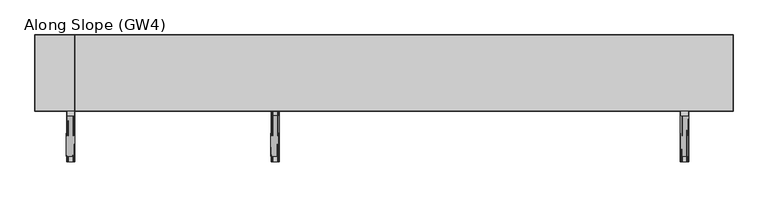
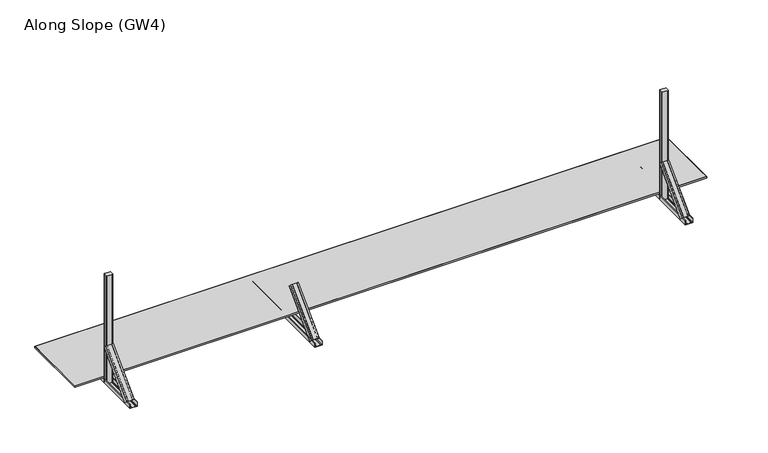
"""IFC4 building model written with IfcOpenShell, lengths in millimetres: proxy geometry, Along Slope (GW4)."""

from ifc_helpers import new_model, si_unit, point, frame, frame_2d, origin, origin_with_axes, place, context, project, spatial, polyline, circle_curve, trimmed, segment, composite_curve, outline, extrude, source, transform, mapped, element, save
from ifc_brep_helpers import plane_surface, extruded_surface, advanced_brep


def along_slope_gw4_eeab4660(model_context):
    return source(origin(), model_context, "Body", "SolidModel", [
        advanced_brep(
        [(1857.1666667, -956.2087394, 38.0000002), (1857.1666667, -930.3993419, 12.1906027), (1860.1666667, -930.3993419, 12.1906027), (1860.1666667, -954.0874191, 35.8786799), (1870.1666667, -954.0874191, 35.8786799), (1870.1666667, -952.3196521, 34.110913), (1871.1666667, -952.3196521, 34.110913), (1871.1666667, -954.0874191, 35.8786799), (1908.1666667, -954.0874191, 35.8786799), (1908.1666667, -952.3196521, 34.110913), (1909.1666667, -952.3196521, 34.110913), (1909.1666667, -954.0874191, 35.8786799), (1919.1666667, -954.0874191, 35.8786799), (1919.1666667, -930.3993419, 12.1906027), (1922.1666667, -930.3993419, 12.1906027), (1922.1666667, -956.2087394, 38.0000002), (1860.1666667, -638.0106879, 356.1980518), (1925.1666667, -638.0106879, 356.1980518), (1925.1666667, -612.2012904, 330.3886543), (1922.1666667, -612.2012904, 330.3886543), (1922.1666667, -635.8893676, 354.0767314), (1912.1666667, -635.8893676, 354.0767314), (1912.1666667, -634.1216006, 352.3089645), (1911.1666667, -634.1216006, 352.3089645), (1911.1666667, -635.8893676, 354.0767314), (1874.1666667, -635.8893676, 354.0767314), (1874.1666667, -634.1216006, 352.3089645), (1873.1666667, -634.1216006, 352.3089645), (1873.1666667, -635.8893676, 354.0767314), (1863.1666667, -635.8893676, 354.0767314), (1863.1666667, -612.2012904, 330.3886543), (1860.1666667, -612.2012904, 330.3886543)],
        [
            (0, 1),
            (1, 2, circle_curve(frame((1858.6666667, -930.3993419, 12.1906027), z_axis=(0.0, -0.7071067811865434, -0.7071067811865518), x_axis=(0.0, 0.7071067811865518, -0.7071067811865434)), 1.5)),
            (2, 3),
            (3, 4),
            (4, 5),
            (5, 6, circle_curve(frame((1870.6666667, -952.3196521, 34.110913), z_axis=(0.0, -0.7071067811865434, -0.7071067811865518), x_axis=(0.0, 0.7071067811865518, -0.7071067811865434)), 0.5)),
            (6, 7),
            (7, 8),
            (8, 9),
            (9, 10, circle_curve(frame((1908.6666667, -952.3196521, 34.110913), z_axis=(0.0, -0.7071067811865434, -0.7071067811865518), x_axis=(0.0, 0.7071067811865518, -0.7071067811865434)), 0.5)),
            (10, 11),
            (11, 12),
            (12, 13),
            (13, 14, circle_curve(frame((1920.6666667, -930.3993419, 12.1906027), z_axis=(0.0, -0.7071067811865434, -0.7071067811865518), x_axis=(0.0, 0.7071067811865518, -0.7071067811865434)), 1.5)),
            (14, 15),
            (15, 0),
            (16, 17),
            (17, 18),
            (18, 19, circle_curve(frame((1923.6666667, -612.2012904, 330.3886543), z_axis=(0.0, 0.7071067811865434, 0.7071067811865518), x_axis=(0.0, 0.7071067811865518, -0.7071067811865434)), 1.5)),
            (19, 20),
            (20, 21),
            (21, 22),
            (22, 23, circle_curve(frame((1911.6666667, -634.1216006, 352.3089645), z_axis=(0.0, 0.7071067811865434, 0.7071067811865518), x_axis=(0.0, 0.7071067811865518, -0.7071067811865434)), 0.5)),
            (23, 24),
            (24, 25),
            (25, 26),
            (26, 27, circle_curve(frame((1873.6666667, -634.1216006, 352.3089645), z_axis=(0.0, 0.7071067811865434, 0.7071067811865518), x_axis=(0.0, 0.7071067811865518, -0.7071067811865434)), 0.5)),
            (27, 28),
            (28, 29),
            (29, 30),
            (30, 31, circle_curve(frame((1861.6666667, -612.2012904, 330.3886543), z_axis=(0.0, 0.7071067811865434, 0.7071067811865518), x_axis=(0.0, 0.7071067811865518, -0.7071067811865434)), 1.5)),
            (31, 16),
            (31, 1),
            (0, 16),
            (30, 2),
            (29, 3),
            (28, 4),
            (27, 5),
            (26, 6),
            (25, 7),
            (24, 8),
            (23, 9),
            (22, 10),
            (21, 11),
            (20, 12),
            (19, 13),
            (18, 14),
            (17, 15),
        ],
        [
            plane_surface(frame((1889.6666667, -947.9886231, 29.7798839), z_axis=(0.0, -0.7071067811865431, -0.7071067811865519), x_axis=(0.0, 0.7071067811865519, -0.7071067811865431))),
            plane_surface(frame((1892.6666667, -629.7905716, 347.9779354), z_axis=(0.0, 0.7071067811865432, 0.7071067811865518), x_axis=(0.0, 0.7071067811865518, -0.7071067811865432))),
            plane_surface(frame((1860.1666667, -625.1059891, 343.293353), z_axis=(-0.9999777785184911, 0.004713940454842056, 0.00471394045484199), x_axis=(0.0, 0.7071067811865519, -0.7071067811865431))),
            extruded_surface(trimmed(circle_curve(frame((1861.6666667, -612.2012904, 330.3886543), z_axis=(0.0, -0.7071067811865434, -0.7071067811865518), x_axis=(0.0, 0.7071067811865518, -0.7071067811865434)), 1.5), [point((1860.1666667, -612.2012904, 330.3886543))], [point((1863.1666667, -612.2012904, 330.3886543))], True, "CARTESIAN"), (-3.0, -318.1980515, -318.1980516), 450.0099999115941),
            plane_surface(frame((1863.1666667, -624.045329, 342.2326929), z_axis=(0.9999777785184913, -0.004713940454842056, -0.004713940454841989), x_axis=(0.0, -0.707106781186552, 0.7071067811865432))),
            plane_surface(frame((1868.1666667, -635.8893676, 354.0767314), z_axis=(0.0, 0.7071067811865522, -0.7071067811865428), x_axis=(1.0, 0.0, 0.0))),
            plane_surface(frame((1873.1666667, -635.0054841, 353.192848), z_axis=(-0.9999777785184911, 0.004713940454842032, 0.004713940454842015), x_axis=(0.0, 0.7071067811865557, -0.7071067811865394))),
            extruded_surface(trimmed(circle_curve(frame((1873.6666667, -634.1216006, 352.3089645), z_axis=(0.0, -0.7071067811865434, -0.7071067811865518), x_axis=(0.0, 0.7071067811865518, -0.7071067811865434)), 0.5), [point((1873.1666667, -634.1216006, 352.3089645))], [point((1874.1666667, -634.1216006, 352.3089645))], True, "CARTESIAN"), (-3.0, -318.1980515, -318.1980515), 450.00999984088503),
            plane_surface(frame((1874.1666667, -635.0054841, 353.192848), z_axis=(0.9999777785184911, -0.004713940454842046, -0.004713940454842029), x_axis=(0.0, -0.7071067811865557, 0.7071067811865394))),
            plane_surface(frame((1892.6666667, -635.8893676, 354.0767314), z_axis=(0.0, 0.7071067811865522, -0.7071067811865428), x_axis=(1.0, 0.0, 0.0))),
            plane_surface(frame((1911.1666667, -635.0054841, 353.192848), z_axis=(-0.9999777785184911, 0.004713940454842039, 0.004713940454842022), x_axis=(0.0, 0.7071067811865557, -0.7071067811865394))),
            extruded_surface(trimmed(circle_curve(frame((1911.6666667, -634.1216006, 352.3089645), z_axis=(0.0, -0.7071067811865434, -0.7071067811865518), x_axis=(0.0, 0.7071067811865518, -0.7071067811865434)), 0.5), [point((1911.1666667, -634.1216006, 352.3089645))], [point((1912.1666667, -634.1216006, 352.3089645))], True, "CARTESIAN"), (-3.0, -318.1980515, -318.1980515), 450.00999984088503),
            plane_surface(frame((1912.1666667, -635.0054841, 353.192848), z_axis=(0.9999777785184911, -0.004713940454842066, -0.004713940454841993), x_axis=(0.0, -0.7071067811865515, 0.7071067811865436))),
            plane_surface(frame((1917.1666667, -635.8893676, 354.0767314), z_axis=(0.0, 0.707106781186552, -0.707106781186543), x_axis=(1.0, 0.0, 0.0))),
            plane_surface(frame((1922.1666667, -624.045329, 342.2326929), z_axis=(-0.9999777785184913, 0.004713940454842063, 0.004713940454841996), x_axis=(0.0, 0.707106781186552, -0.7071067811865432))),
            extruded_surface(trimmed(circle_curve(frame((1923.6666667, -612.2012904, 330.3886543), z_axis=(0.0, -0.7071067811865434, -0.7071067811865518), x_axis=(0.0, 0.7071067811865518, -0.7071067811865434)), 1.5), [point((1922.1666667, -612.2012904, 330.3886543))], [point((1925.1666667, -612.2012904, 330.3886543))], True, "CARTESIAN"), (-3.0, -318.1980515, -318.1980516), 450.0099999115941),
            plane_surface(frame((1925.1666667, -625.1059891, 343.293353), z_axis=(0.9999777785184911, -0.004713940454842065, -0.0047139404548419955), x_axis=(0.0, -0.7071067811865517, 0.7071067811865434))),
            plane_surface(frame((1892.6666667, -638.0106879, 356.1980518), z_axis=(0.0, -0.7071067811865523, 0.7071067811865427), x_axis=(-1.0, 0.0, 0.0))),
        ],
        [
            (0, [[1, 2, 3, 4, 5, 6, 7, 8, 9, 10, 11, 12, 13, 14, 15, 16]]),
            (1, [[17, 18, 19, 20, 21, 22, 23, 24, 25, 26, 27, 28, 29, 30, 31, 32]]),
            (2, [[-32, 33, -1, 34]]),
            (3, [[-31, 35, -2, -33]]),
            (4, [[-30, 36, -3, -35]]),
            (5, [[-29, 37, -4, -36]]),
            (6, [[-28, 38, -5, -37]]),
            (7, [[-27, 39, -6, -38]]),
            (8, [[-26, 40, -7, -39]]),
            (9, [[-25, 41, -8, -40]]),
            (10, [[-24, 42, -9, -41]]),
            (11, [[-23, 43, -10, -42]]),
            (12, [[-22, 44, -11, -43]]),
            (13, [[-21, 45, -12, -44]]),
            (14, [[-20, 46, -13, -45]]),
            (15, [[-19, 47, -14, -46]]),
            (16, [[-18, 48, -15, -47]]),
            (17, [[-17, -34, -16, -48]]),
        ],
    ),
        extrude(outline(composite_curve([segment(polyline([(2e-07, 1860.1666667), (2e-07, 1925.1666667), (36.5000002, 1925.1666667)]), True, "CONTINUOUS"), segment(trimmed(circle_curve(frame_2d((36.5000002, 1923.6666667)), 1.5), [point((36.5000002, 1925.1666667))], [point((36.5000002, 1922.1666667))], False, "CARTESIAN"), True, "CONTINUOUS"), segment(polyline([(36.5000002, 1922.1666667), (3.0000002, 1922.1666667), (3.0000002, 1912.1666667), (5.5000002, 1912.1666667)]), True, "CONTINUOUS"), segment(trimmed(circle_curve(frame_2d((5.5000002, 1911.6666667)), 0.5), [point((5.5000002, 1912.1666667))], [point((5.5000002, 1911.1666667))], False, "CARTESIAN"), True, "CONTINUOUS"), segment(polyline([(5.5000002, 1911.1666667), (3.0000002, 1911.1666667), (3.0000002, 1874.1666667), (5.5000002, 1874.1666667)]), True, "CONTINUOUS"), segment(trimmed(circle_curve(frame_2d((5.5000002, 1873.6666667)), 0.5), [point((5.5000002, 1874.1666667))], [point((5.5000002, 1873.1666667))], False, "CARTESIAN"), True, "CONTINUOUS"), segment(polyline([(5.5000002, 1873.1666667), (3.0000002, 1873.1666667), (3.0000002, 1863.1666667), (36.5000002, 1863.1666667)]), True, "CONTINUOUS"), segment(trimmed(circle_curve(frame_2d((36.5000002, 1861.6666667)), 1.5), [point((36.5000002, 1863.1666667))], [point((36.5000002, 1860.1666667))], False, "CARTESIAN"), True, "CONTINUOUS"), segment(polyline([(36.5000002, 1860.1666667), (2e-07, 1860.1666667)]), True, "CONTINUOUS")], self_intersect=False)), frame((0.0, -1000.0, 0.0), z_axis=(0.0, 1.0, 0.0), x_axis=(0.0, 0.0, 1.0)), (0.0, 0.0, 1.0), 1000.0),
        extrude(outline(composite_curve([segment(trimmed(circle_curve(frame_2d((5140.5, -605.0)), 5.0), [point((5140.5, -600.0))], [point((5145.5, -605.0))], False, "CARTESIAN"), True, "CONTINUOUS"), segment(polyline([(5145.5, -605.0), (5145.5, -633.0)]), True, "CONTINUOUS"), segment(trimmed(circle_curve(frame_2d((5140.5, -633.0)), 5.0), [point((5145.5, -633.0))], [point((5140.5, -638.0))], False, "CARTESIAN"), True, "CONTINUOUS"), segment(polyline([(5140.5, -638.0), (5094.5, -638.0)]), True, "CONTINUOUS"), segment(trimmed(circle_curve(frame_2d((5094.5, -633.0)), 5.0), [point((5094.5, -638.0))], [point((5089.5, -633.0))], False, "CARTESIAN"), True, "CONTINUOUS"), segment(polyline([(5089.5, -633.0), (5089.5, -605.0)]), True, "CONTINUOUS"), segment(trimmed(circle_curve(frame_2d((5094.5, -605.0)), 5.0), [point((5089.5, -605.0))], [point((5094.5, -600.0))], False, "CARTESIAN"), True, "CONTINUOUS"), segment(polyline([(5094.5, -600.0), (5140.5, -600.0)]), True, "CONTINUOUS")], self_intersect=False)), origin_with_axes(), (0.0, 0.0, 1.0), 998.0),
        advanced_brep(
        [(5082.0, -956.2087394, 38.0), (5082.0, -930.3993419, 12.1906025), (5085.0, -930.3993419, 12.1906025), (5085.0, -954.0874191, 35.8786797), (5095.0, -954.0874191, 35.8786797), (5095.0, -952.3196521, 34.1109127), (5096.0, -952.3196521, 34.1109127), (5096.0, -954.0874191, 35.8786797), (5133.0, -954.0874191, 35.8786797), (5133.0, -952.3196521, 34.1109127), (5134.0, -952.3196521, 34.1109127), (5134.0, -954.0874191, 35.8786797), (5144.0, -954.0874191, 35.8786797), (5144.0, -930.3993419, 12.1906025), (5147.0, -930.3993419, 12.1906025), (5147.0, -956.2087394, 38.0), (5085.0, -638.0106879, 356.1980516), (5150.0, -638.0106879, 356.1980516), (5150.0, -612.2012904, 330.3886541), (5147.0, -612.2012904, 330.3886541), (5147.0, -635.8893676, 354.0767312), (5137.0, -635.8893676, 354.0767312), (5137.0, -634.1216006, 352.3089643), (5136.0, -634.1216006, 352.3089643), (5136.0, -635.8893676, 354.0767312), (5099.0, -635.8893676, 354.0767312), (5099.0, -634.1216006, 352.3089643), (5098.0, -634.1216006, 352.3089643), (5098.0, -635.8893676, 354.0767312), (5088.0, -635.8893676, 354.0767312), (5088.0, -612.2012904, 330.3886541), (5085.0, -612.2012904, 330.3886541)],
        [
            (0, 1),
            (1, 2, circle_curve(frame((5083.5, -930.3993419, 12.1906025), z_axis=(0.0, -0.7071067811865434, -0.7071067811865518), x_axis=(0.0, 0.7071067811865518, -0.7071067811865434)), 1.5)),
            (2, 3),
            (3, 4),
            (4, 5),
            (5, 6, circle_curve(frame((5095.5, -952.3196521, 34.1109127), z_axis=(0.0, -0.7071067811865434, -0.7071067811865518), x_axis=(0.0, 0.7071067811865518, -0.7071067811865434)), 0.5)),
            (6, 7),
            (7, 8),
            (8, 9),
            (9, 10, circle_curve(frame((5133.5, -952.3196521, 34.1109127), z_axis=(0.0, -0.7071067811865434, -0.7071067811865518), x_axis=(0.0, 0.7071067811865518, -0.7071067811865434)), 0.5)),
            (10, 11),
            (11, 12),
            (12, 13),
            (13, 14, circle_curve(frame((5145.5, -930.3993419, 12.1906025), z_axis=(0.0, -0.7071067811865434, -0.7071067811865518), x_axis=(0.0, 0.7071067811865518, -0.7071067811865434)), 1.5)),
            (14, 15),
            (15, 0),
            (16, 17),
            (17, 18),
            (18, 19, circle_curve(frame((5148.5, -612.2012904, 330.3886541), z_axis=(0.0, 0.7071067811865434, 0.7071067811865518), x_axis=(0.0, 0.7071067811865518, -0.7071067811865434)), 1.5)),
            (19, 20),
            (20, 21),
            (21, 22),
            (22, 23, circle_curve(frame((5136.5, -634.1216006, 352.3089643), z_axis=(0.0, 0.7071067811865434, 0.7071067811865518), x_axis=(0.0, 0.7071067811865518, -0.7071067811865434)), 0.5)),
            (23, 24),
            (24, 25),
            (25, 26),
            (26, 27, circle_curve(frame((5098.5, -634.1216006, 352.3089643), z_axis=(0.0, 0.7071067811865434, 0.7071067811865518), x_axis=(0.0, 0.7071067811865518, -0.7071067811865434)), 0.5)),
            (27, 28),
            (28, 29),
            (29, 30),
            (30, 31, circle_curve(frame((5086.5, -612.2012904, 330.3886541), z_axis=(0.0, 0.7071067811865434, 0.7071067811865518), x_axis=(0.0, 0.7071067811865518, -0.7071067811865434)), 1.5)),
            (31, 16),
            (31, 1),
            (0, 16),
            (30, 2),
            (29, 3),
            (28, 4),
            (27, 5),
            (26, 6),
            (25, 7),
            (24, 8),
            (23, 9),
            (22, 10),
            (21, 11),
            (20, 12),
            (19, 13),
            (18, 14),
            (17, 15),
        ],
        [
            plane_surface(frame((5114.5, -947.9886231, 29.7798837), z_axis=(0.0, -0.7071067811865431, -0.7071067811865519), x_axis=(0.0, 0.7071067811865519, -0.7071067811865431))),
            plane_surface(frame((5117.5, -629.7905716, 347.9779352), z_axis=(0.0, 0.7071067811865432, 0.7071067811865518), x_axis=(0.0, 0.7071067811865518, -0.7071067811865432))),
            plane_surface(frame((5085.0, -625.1059891, 343.2933528), z_axis=(-0.9999777785184911, 0.004713940454842056, 0.00471394045484199), x_axis=(0.0, 0.7071067811865519, -0.7071067811865431))),
            extruded_surface(trimmed(circle_curve(frame((5086.5, -612.2012904, 330.3886541), z_axis=(0.0, -0.7071067811865434, -0.7071067811865518), x_axis=(0.0, 0.7071067811865518, -0.7071067811865434)), 1.5), [point((5085.0, -612.2012904, 330.3886541))], [point((5088.0, -612.2012904, 330.3886541))], True, "CARTESIAN"), (-3.0, -318.1980515, -318.1980516), 450.0099999115941),
            plane_surface(frame((5088.0, -624.045329, 342.2326926), z_axis=(0.9999777785184913, -0.004713940454842056, -0.004713940454841989), x_axis=(0.0, -0.707106781186552, 0.7071067811865432))),
            plane_surface(frame((5093.0, -635.8893676, 354.0767312), z_axis=(0.0, 0.7071067811865522, -0.7071067811865428), x_axis=(1.0, 0.0, 0.0))),
            plane_surface(frame((5098.0, -635.0054841, 353.1928478), z_axis=(-0.9999777785184911, 0.004713940454842032, 0.004713940454842015), x_axis=(0.0, 0.7071067811865557, -0.7071067811865394))),
            extruded_surface(trimmed(circle_curve(frame((5098.5, -634.1216006, 352.3089643), z_axis=(0.0, -0.7071067811865434, -0.7071067811865518), x_axis=(0.0, 0.7071067811865518, -0.7071067811865434)), 0.5), [point((5098.0, -634.1216006, 352.3089643))], [point((5099.0, -634.1216006, 352.3089643))], True, "CARTESIAN"), (-3.0, -318.1980515, -318.1980516), 450.0099999115941),
            plane_surface(frame((5099.0, -635.0054841, 353.1928478), z_axis=(0.9999777785184911, -0.004713940454842046, -0.004713940454842029), x_axis=(0.0, -0.7071067811865557, 0.7071067811865394))),
            plane_surface(frame((5117.5, -635.8893676, 354.0767312), z_axis=(0.0, 0.7071067811865522, -0.7071067811865428), x_axis=(1.0, 0.0, 0.0))),
            plane_surface(frame((5136.0, -635.0054841, 353.1928478), z_axis=(-0.9999777785184911, 0.004713940454842039, 0.004713940454842022), x_axis=(0.0, 0.7071067811865557, -0.7071067811865394))),
            extruded_surface(trimmed(circle_curve(frame((5136.5, -634.1216006, 352.3089643), z_axis=(0.0, -0.7071067811865434, -0.7071067811865518), x_axis=(0.0, 0.7071067811865518, -0.7071067811865434)), 0.5), [point((5136.0, -634.1216006, 352.3089643))], [point((5137.0, -634.1216006, 352.3089643))], True, "CARTESIAN"), (-3.0, -318.1980515, -318.1980516), 450.0099999115941),
            plane_surface(frame((5137.0, -635.0054841, 353.1928478), z_axis=(0.9999777785184911, -0.004713940454842066, -0.004713940454841993), x_axis=(0.0, -0.7071067811865515, 0.7071067811865436))),
            plane_surface(frame((5142.0, -635.8893676, 354.0767312), z_axis=(0.0, 0.707106781186552, -0.707106781186543), x_axis=(1.0, 0.0, 0.0))),
            plane_surface(frame((5147.0, -624.045329, 342.2326926), z_axis=(-0.9999777785184913, 0.004713940454842063, 0.004713940454841996), x_axis=(0.0, 0.707106781186552, -0.7071067811865432))),
            extruded_surface(trimmed(circle_curve(frame((5148.5, -612.2012904, 330.3886541), z_axis=(0.0, -0.7071067811865434, -0.7071067811865518), x_axis=(0.0, 0.7071067811865518, -0.7071067811865434)), 1.5), [point((5147.0, -612.2012904, 330.3886541))], [point((5150.0, -612.2012904, 330.3886541))], True, "CARTESIAN"), (-3.0, -318.1980515, -318.1980516), 450.0099999115941),
            plane_surface(frame((5150.0, -625.1059891, 343.2933528), z_axis=(0.9999777785184911, -0.004713940454842065, -0.0047139404548419955), x_axis=(0.0, -0.7071067811865517, 0.7071067811865434))),
            plane_surface(frame((5117.5, -638.0106879, 356.1980516), z_axis=(0.0, -0.7071067811865523, 0.7071067811865427), x_axis=(-1.0, 0.0, 0.0))),
        ],
        [
            (0, [[1, 2, 3, 4, 5, 6, 7, 8, 9, 10, 11, 12, 13, 14, 15, 16]]),
            (1, [[17, 18, 19, 20, 21, 22, 23, 24, 25, 26, 27, 28, 29, 30, 31, 32]]),
            (2, [[-32, 33, -1, 34]]),
            (3, [[-31, 35, -2, -33]]),
            (4, [[-30, 36, -3, -35]]),
            (5, [[-29, 37, -4, -36]]),
            (6, [[-28, 38, -5, -37]]),
            (7, [[-27, 39, -6, -38]]),
            (8, [[-26, 40, -7, -39]]),
            (9, [[-25, 41, -8, -40]]),
            (10, [[-24, 42, -9, -41]]),
            (11, [[-23, 43, -10, -42]]),
            (12, [[-22, 44, -11, -43]]),
            (13, [[-21, 45, -12, -44]]),
            (14, [[-20, 46, -13, -45]]),
            (15, [[-19, 47, -14, -46]]),
            (16, [[-18, 48, -15, -47]]),
            (17, [[-17, -34, -16, -48]]),
        ],
    ),
        extrude(outline(composite_curve([segment(polyline([(0.0, 5085.0), (0.0, 5150.0), (36.5, 5150.0)]), True, "CONTINUOUS"), segment(trimmed(circle_curve(frame_2d((36.5, 5148.5)), 1.5), [point((36.5, 5150.0))], [point((36.5, 5147.0))], False, "CARTESIAN"), True, "CONTINUOUS"), segment(polyline([(36.5, 5147.0), (3.0, 5147.0), (3.0, 5137.0), (5.5, 5137.0)]), True, "CONTINUOUS"), segment(trimmed(circle_curve(frame_2d((5.5, 5136.5)), 0.5), [point((5.5, 5137.0))], [point((5.5, 5136.0))], False, "CARTESIAN"), True, "CONTINUOUS"), segment(polyline([(5.5, 5136.0), (3.0, 5136.0), (3.0, 5099.0), (5.5, 5099.0)]), True, "CONTINUOUS"), segment(trimmed(circle_curve(frame_2d((5.5, 5098.5)), 0.5), [point((5.5, 5099.0))], [point((5.5, 5098.0))], False, "CARTESIAN"), True, "CONTINUOUS"), segment(polyline([(5.5, 5098.0), (3.0, 5098.0), (3.0, 5088.0), (36.5, 5088.0)]), True, "CONTINUOUS"), segment(trimmed(circle_curve(frame_2d((36.5, 5086.5)), 1.5), [point((36.5, 5088.0))], [point((36.5, 5085.0))], False, "CARTESIAN"), True, "CONTINUOUS"), segment(polyline([(36.5, 5085.0), (0.0, 5085.0)]), True, "CONTINUOUS")], self_intersect=False)), frame((0.0, -1000.0, 0.0), z_axis=(0.0, 1.0, 0.0), x_axis=(0.0, 0.0, 1.0)), (0.0, 0.0, 1.0), 1000.0),
        extrude(outline(composite_curve([segment(trimmed(circle_curve(frame_2d((305.5, -605.0)), 5.0), [point((305.5, -600.0))], [point((310.5, -605.0))], False, "CARTESIAN"), True, "CONTINUOUS"), segment(polyline([(310.5, -605.0), (310.5, -633.0)]), True, "CONTINUOUS"), segment(trimmed(circle_curve(frame_2d((305.5, -633.0)), 5.0), [point((310.5, -633.0))], [point((305.5, -638.0))], False, "CARTESIAN"), True, "CONTINUOUS"), segment(polyline([(305.5, -638.0), (259.5, -638.0)]), True, "CONTINUOUS"), segment(trimmed(circle_curve(frame_2d((259.5, -633.0)), 5.0), [point((259.5, -638.0))], [point((254.5, -633.0))], False, "CARTESIAN"), True, "CONTINUOUS"), segment(polyline([(254.5, -633.0), (254.5, -605.0)]), True, "CONTINUOUS"), segment(trimmed(circle_curve(frame_2d((259.5, -605.0)), 5.0), [point((254.5, -605.0))], [point((259.5, -600.0))], False, "CARTESIAN"), True, "CONTINUOUS"), segment(polyline([(259.5, -600.0), (305.5, -600.0)]), True, "CONTINUOUS")], self_intersect=False)), origin_with_axes(), (0.0, 0.0, 1.0), 998.0),
        advanced_brep(
        [(247.0, -956.2087394, 38.0), (247.0, -930.3993419, 12.1906025), (250.0, -930.3993419, 12.1906025), (250.0, -954.0874191, 35.8786797), (260.0, -954.0874191, 35.8786797), (260.0, -952.3196521, 34.1109127), (261.0, -952.3196521, 34.1109127), (261.0, -954.0874191, 35.8786797), (298.0, -954.0874191, 35.8786797), (298.0, -952.3196521, 34.1109127), (299.0, -952.3196521, 34.1109127), (299.0, -954.0874191, 35.8786797), (309.0, -954.0874191, 35.8786797), (309.0, -930.3993419, 12.1906025), (312.0, -930.3993419, 12.1906025), (312.0, -956.2087394, 38.0), (250.0, -638.0106879, 356.1980515), (315.0, -638.0106879, 356.1980515), (315.0, -612.2012904, 330.388654), (312.0, -612.2012904, 330.388654), (312.0, -635.8893676, 354.0767312), (302.0, -635.8893676, 354.0767312), (302.0, -634.1216006, 352.3089642), (301.0, -634.1216006, 352.3089642), (301.0, -635.8893676, 354.0767312), (264.0, -635.8893676, 354.0767312), (264.0, -634.1216006, 352.3089642), (263.0, -634.1216006, 352.3089642), (263.0, -635.8893676, 354.0767312), (253.0, -635.8893676, 354.0767312), (253.0, -612.2012904, 330.388654), (250.0, -612.2012904, 330.388654)],
        [
            (0, 1),
            (1, 2, circle_curve(frame((248.5, -930.3993419, 12.1906025), z_axis=(0.0, -0.7071067811865434, -0.7071067811865518), x_axis=(0.0, 0.7071067811865518, -0.7071067811865434)), 1.5)),
            (2, 3),
            (3, 4),
            (4, 5),
            (5, 6, circle_curve(frame((260.5, -952.3196521, 34.1109127), z_axis=(0.0, -0.7071067811865434, -0.7071067811865518), x_axis=(0.0, 0.7071067811865518, -0.7071067811865434)), 0.5)),
            (6, 7),
            (7, 8),
            (8, 9),
            (9, 10, circle_curve(frame((298.5, -952.3196521, 34.1109127), z_axis=(0.0, -0.7071067811865434, -0.7071067811865518), x_axis=(0.0, 0.7071067811865518, -0.7071067811865434)), 0.5)),
            (10, 11),
            (11, 12),
            (12, 13),
            (13, 14, circle_curve(frame((310.5, -930.3993419, 12.1906025), z_axis=(0.0, -0.7071067811865434, -0.7071067811865518), x_axis=(0.0, 0.7071067811865518, -0.7071067811865434)), 1.5)),
            (14, 15),
            (15, 0),
            (16, 17),
            (17, 18),
            (18, 19, circle_curve(frame((313.5, -612.2012904, 330.388654), z_axis=(0.0, 0.7071067811865434, 0.7071067811865518), x_axis=(0.0, 0.7071067811865518, -0.7071067811865434)), 1.5)),
            (19, 20),
            (20, 21),
            (21, 22),
            (22, 23, circle_curve(frame((301.5, -634.1216006, 352.3089642), z_axis=(0.0, 0.7071067811865434, 0.7071067811865518), x_axis=(0.0, 0.7071067811865518, -0.7071067811865434)), 0.5)),
            (23, 24),
            (24, 25),
            (25, 26),
            (26, 27, circle_curve(frame((263.5, -634.1216006, 352.3089642), z_axis=(0.0, 0.7071067811865434, 0.7071067811865518), x_axis=(0.0, 0.7071067811865518, -0.7071067811865434)), 0.5)),
            (27, 28),
            (28, 29),
            (29, 30),
            (30, 31, circle_curve(frame((251.5, -612.2012904, 330.388654), z_axis=(0.0, 0.7071067811865434, 0.7071067811865518), x_axis=(0.0, 0.7071067811865518, -0.7071067811865434)), 1.5)),
            (31, 16),
            (31, 1),
            (0, 16),
            (30, 2),
            (29, 3),
            (28, 4),
            (27, 5),
            (26, 6),
            (25, 7),
            (24, 8),
            (23, 9),
            (22, 10),
            (21, 11),
            (20, 12),
            (19, 13),
            (18, 14),
            (17, 15),
        ],
        [
            plane_surface(frame((279.5, -947.9886231, 29.7798837), z_axis=(0.0, -0.7071067811865431, -0.7071067811865519), x_axis=(0.0, 0.7071067811865519, -0.7071067811865431))),
            plane_surface(frame((282.5, -629.7905716, 347.9779352), z_axis=(0.0, 0.7071067811865432, 0.7071067811865518), x_axis=(0.0, 0.7071067811865518, -0.7071067811865432))),
            plane_surface(frame((250.0, -625.1059891, 343.2933528), z_axis=(-0.9999777785184911, 0.004713940454842056, 0.00471394045484199), x_axis=(0.0, 0.7071067811865519, -0.7071067811865431))),
            extruded_surface(trimmed(circle_curve(frame((251.5, -612.2012904, 330.388654), z_axis=(0.0, -0.7071067811865434, -0.7071067811865518), x_axis=(0.0, 0.7071067811865518, -0.7071067811865434)), 1.5), [point((250.0, -612.2012904, 330.388654))], [point((253.0, -612.2012904, 330.388654))], True, "CARTESIAN"), (-3.0, -318.1980515, -318.19805149999996), 450.009999840885),
            plane_surface(frame((253.0, -624.045329, 342.2326926), z_axis=(0.9999777785184913, -0.004713940454842056, -0.004713940454841989), x_axis=(0.0, -0.707106781186552, 0.7071067811865432))),
            plane_surface(frame((258.0, -635.8893676, 354.0767312), z_axis=(0.0, 0.7071067811865522, -0.7071067811865428), x_axis=(1.0, 0.0, 0.0))),
            plane_surface(frame((263.0, -635.0054841, 353.1928477), z_axis=(-0.9999777785184911, 0.004713940454842032, 0.004713940454842015), x_axis=(0.0, 0.7071067811865557, -0.7071067811865394))),
            extruded_surface(trimmed(circle_curve(frame((263.5, -634.1216006, 352.3089642), z_axis=(0.0, -0.7071067811865434, -0.7071067811865518), x_axis=(0.0, 0.7071067811865518, -0.7071067811865434)), 0.5), [point((263.0, -634.1216006, 352.3089642))], [point((264.0, -634.1216006, 352.3089642))], True, "CARTESIAN"), (-3.0, -318.1980515, -318.1980515), 450.00999984088503),
            plane_surface(frame((264.0, -635.0054841, 353.1928477), z_axis=(0.9999777785184911, -0.004713940454842046, -0.004713940454842029), x_axis=(0.0, -0.7071067811865557, 0.7071067811865394))),
            plane_surface(frame((282.5, -635.8893676, 354.0767312), z_axis=(0.0, 0.7071067811865522, -0.7071067811865428), x_axis=(1.0, 0.0, 0.0))),
            plane_surface(frame((301.0, -635.0054841, 353.1928477), z_axis=(-0.9999777785184911, 0.004713940454842039, 0.004713940454842022), x_axis=(0.0, 0.7071067811865557, -0.7071067811865394))),
            extruded_surface(trimmed(circle_curve(frame((301.5, -634.1216006, 352.3089642), z_axis=(0.0, -0.7071067811865434, -0.7071067811865518), x_axis=(0.0, 0.7071067811865518, -0.7071067811865434)), 0.5), [point((301.0, -634.1216006, 352.3089642))], [point((302.0, -634.1216006, 352.3089642))], True, "CARTESIAN"), (-3.0, -318.1980515, -318.1980515), 450.00999984088503),
            plane_surface(frame((302.0, -635.0054841, 353.1928477), z_axis=(0.9999777785184911, -0.004713940454842066, -0.004713940454841993), x_axis=(0.0, -0.7071067811865515, 0.7071067811865436))),
            plane_surface(frame((307.0, -635.8893676, 354.0767312), z_axis=(0.0, 0.707106781186552, -0.707106781186543), x_axis=(1.0, 0.0, 0.0))),
            plane_surface(frame((312.0, -624.045329, 342.2326926), z_axis=(-0.9999777785184913, 0.004713940454842063, 0.004713940454841996), x_axis=(0.0, 0.707106781186552, -0.7071067811865432))),
            extruded_surface(trimmed(circle_curve(frame((313.5, -612.2012904, 330.388654), z_axis=(0.0, -0.7071067811865434, -0.7071067811865518), x_axis=(0.0, 0.7071067811865518, -0.7071067811865434)), 1.5), [point((312.0, -612.2012904, 330.388654))], [point((315.0, -612.2012904, 330.388654))], True, "CARTESIAN"), (-3.0, -318.1980515, -318.19805149999996), 450.009999840885),
            plane_surface(frame((315.0, -625.1059891, 343.2933528), z_axis=(0.9999777785184911, -0.004713940454842065, -0.0047139404548419955), x_axis=(0.0, -0.7071067811865517, 0.7071067811865434))),
            plane_surface(frame((282.5, -638.0106879, 356.1980515), z_axis=(0.0, -0.7071067811865523, 0.7071067811865427), x_axis=(-1.0, 0.0, 0.0))),
        ],
        [
            (0, [[1, 2, 3, 4, 5, 6, 7, 8, 9, 10, 11, 12, 13, 14, 15, 16]]),
            (1, [[17, 18, 19, 20, 21, 22, 23, 24, 25, 26, 27, 28, 29, 30, 31, 32]]),
            (2, [[-32, 33, -1, 34]]),
            (3, [[-31, 35, -2, -33]]),
            (4, [[-30, 36, -3, -35]]),
            (5, [[-29, 37, -4, -36]]),
            (6, [[-28, 38, -5, -37]]),
            (7, [[-27, 39, -6, -38]]),
            (8, [[-26, 40, -7, -39]]),
            (9, [[-25, 41, -8, -40]]),
            (10, [[-24, 42, -9, -41]]),
            (11, [[-23, 43, -10, -42]]),
            (12, [[-22, 44, -11, -43]]),
            (13, [[-21, 45, -12, -44]]),
            (14, [[-20, 46, -13, -45]]),
            (15, [[-19, 47, -14, -46]]),
            (16, [[-18, 48, -15, -47]]),
            (17, [[-17, -34, -16, -48]]),
        ],
    ),
        extrude(outline(composite_curve([segment(polyline([(0.0, 250.0), (0.0, 315.0), (36.5, 315.0)]), True, "CONTINUOUS"), segment(trimmed(circle_curve(frame_2d((36.5, 313.5)), 1.5), [point((36.5, 315.0))], [point((36.5, 312.0))], False, "CARTESIAN"), True, "CONTINUOUS"), segment(polyline([(36.5, 312.0), (3.0, 312.0), (3.0, 302.0), (5.5, 302.0)]), True, "CONTINUOUS"), segment(trimmed(circle_curve(frame_2d((5.5, 301.5)), 0.5), [point((5.5, 302.0))], [point((5.5, 301.0))], False, "CARTESIAN"), True, "CONTINUOUS"), segment(polyline([(5.5, 301.0), (3.0, 301.0), (3.0, 264.0), (5.5, 264.0)]), True, "CONTINUOUS"), segment(trimmed(circle_curve(frame_2d((5.5, 263.5)), 0.5), [point((5.5, 264.0))], [point((5.5, 263.0))], False, "CARTESIAN"), True, "CONTINUOUS"), segment(polyline([(5.5, 263.0), (3.0, 263.0), (3.0, 253.0), (36.5, 253.0)]), True, "CONTINUOUS"), segment(trimmed(circle_curve(frame_2d((36.5, 251.5)), 1.5), [point((36.5, 253.0))], [point((36.5, 250.0))], False, "CARTESIAN"), True, "CONTINUOUS"), segment(polyline([(36.5, 250.0), (0.0, 250.0)]), True, "CONTINUOUS")], self_intersect=False)), frame((0.0, -1000.0, 0.0), z_axis=(0.0, 1.0, 0.0), x_axis=(0.0, 0.0, 1.0)), (0.0, 0.0, 1.0), 1000.0),
        extrude(outline(polyline([(5499.0, -1.0), (5499.0, -599.0), (1.0, -599.0), (1.0, -1.0), (5499.0, -1.0)])), frame((0.0, 0.0, 42.0), z_axis=(0.0, 0.0, 1.0), x_axis=(1.0, 0.0, 0.0)), (0.0, 0.0, 1.0), 13.0),
        extrude(outline(polyline([(5500.0, 0.0), (5500.0, -600.0), (0.0, -600.0), (0.0, 0.0), (5500.0, 0.0)]), holes=[polyline([(5499.0, -1.0), (1.0, -1.0), (1.0, -599.0), (5499.0, -599.0), (5499.0, -1.0)])]), frame((0.0, 0.0, 42.0), z_axis=(0.0, 0.0, 1.0), x_axis=(1.0, 0.0, 0.0)), (0.0, 0.0, 1.0), 13.0),
    ])


if __name__ == "__main__":
    model = new_model("IFC4")
    model_context = context("Model", 3, world=origin())
    ifc_project = project(units=[si_unit("LENGTHUNIT", "METRE", prefix="MILLI")], contexts=[model_context])
    site = spatial("IfcSite", under=ifc_project)
    building = spatial("IfcBuilding", under=site)
    placement = place(None, origin())
    along_slope_gw4_shape = along_slope_gw4_eeab4660(model_context)
    element("IfcBuildingElementProxy", 1, Name="Along Slope (GW4)", ObjectType="Along Slope (GW4)", at=placement, inside=building, context=model_context, shape_type="MappedRepresentation", body=[
        mapped(along_slope_gw4_shape, transform((0.0, 0.0, 0.0), x_axis=(1.0, 0.0, 0.0), y_axis=(0.0, 1.0, 0.0), z_axis=(0.0, 0.0, 1.0))),
    ])
    save(model, "model.ifc")
